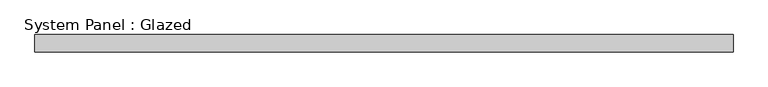
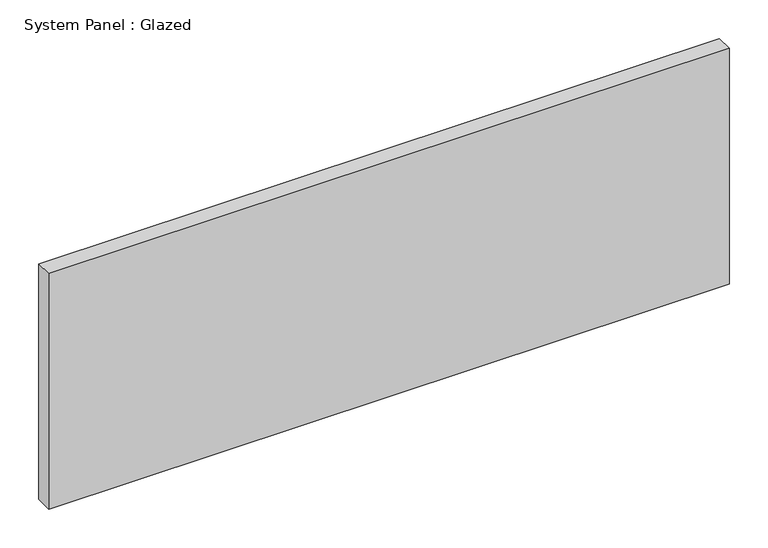
"""IFC4 building model written with IfcOpenShell, lengths in millimetres: plate geometry, System Panel : Glazed."""

from ifc_helpers import new_model, si_unit, origin, origin_with_axes, place, context, project, spatial, polyline, outline, extrude, source, transform, mapped, element, save


def system_panel_glazed_35878908(model_context):
    return source(origin(), model_context, "Body", "SweptSolid", [
        extrude(outline(polyline([(508.0, -44.45), (-508.0, -44.45), (-508.0, -19.05), (508.0, -19.05), (508.0, -44.45)])), origin_with_axes(), (0.0, 0.0, 1.0), 371.9285714),
    ])


if __name__ == "__main__":
    model = new_model("IFC4")
    model_context = context("Model", 3, world=origin())
    ifc_project = project(units=[si_unit("LENGTHUNIT", "METRE", prefix="MILLI")], contexts=[model_context])
    site = spatial("IfcSite", under=ifc_project)
    building = spatial("IfcBuilding", under=site)
    placement = place(None, origin())
    system_panel_glazed_shape = system_panel_glazed_35878908(model_context)
    element("IfcPlate", 1, ObjectType="System Panel : Glazed", at=placement, inside=building, context=model_context, shape_type="MappedRepresentation", body=[
        mapped(system_panel_glazed_shape, transform((0.0, 0.0, 0.0), x_axis=(1.0, 0.0, 0.0), y_axis=(0.0, 1.0, 0.0), z_axis=(0.0, 0.0, 1.0))),
    ])
    save(model, "model.ifc")
